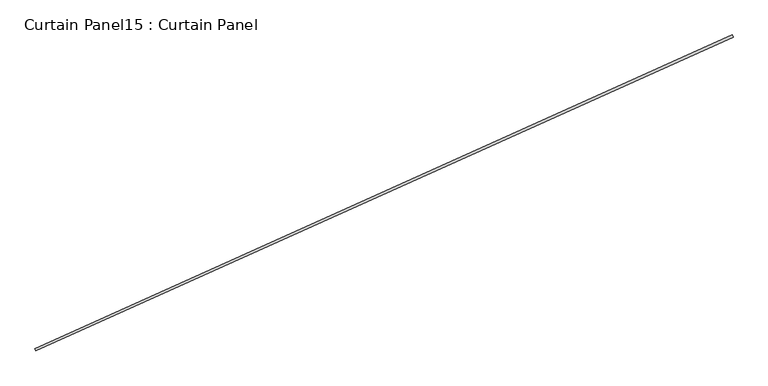
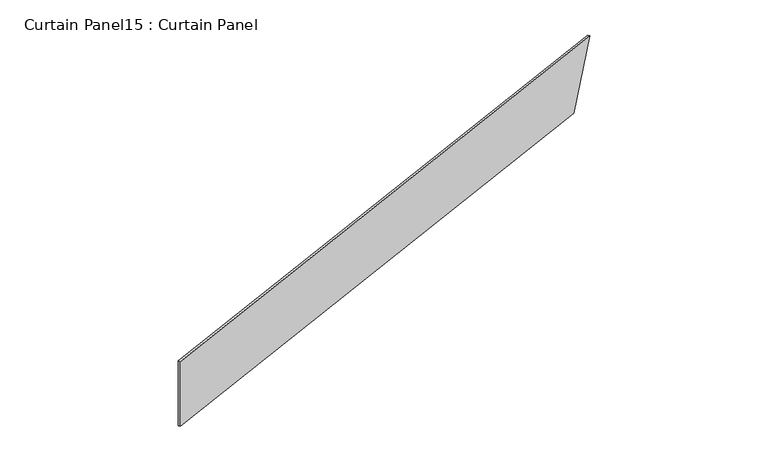
"""IFC4 building model written with IfcOpenShell, lengths in millimetres: plate geometry, Curtain Panel15 : Curtain Panel."""

from ifc_helpers import new_model, si_unit, frame, origin, place, context, project, spatial, polyline, outline, extrude, source, transform, mapped, element, save


def curtain_panel15_curtain_panel_79dcb804(model_context):
    return source(origin(), model_context, "Body", "SweptSolid", [
        extrude(outline(polyline([(0.0, 0.0), (0.0, -7777.5681867), (-914.4, -8086.2457914), (-914.4, 0.0), (0.0, 0.0)])), frame((36557.5770857, -12836.3437505, 21031.2), z_axis=(-0.41023197127835825, 0.9119812112873117, 0.0), x_axis=(0.0, 0.0, -1.0)), (0.0, 0.0, 1.0), 25.4),
    ])


if __name__ == "__main__":
    model = new_model("IFC4")
    model_context = context("Model", 3, world=origin())
    ifc_project = project(units=[si_unit("LENGTHUNIT", "METRE", prefix="MILLI")], contexts=[model_context])
    site = spatial("IfcSite", under=ifc_project)
    building = spatial("IfcBuilding", under=site)
    placement = place(None, origin())
    curtain_panel15_curtain_panel_shape = curtain_panel15_curtain_panel_79dcb804(model_context)
    element("IfcPlate", 1, ObjectType="Curtain Panel15 : Curtain Panel", at=placement, inside=building, context=model_context, shape_type="MappedRepresentation", body=[
        mapped(curtain_panel15_curtain_panel_shape, transform((0.0, 0.0, 0.0), x_axis=(1.0, 0.0, 0.0), y_axis=(0.0, 1.0, 0.0), z_axis=(0.0, 0.0, 1.0))),
    ])
    save(model, "model.ifc")
